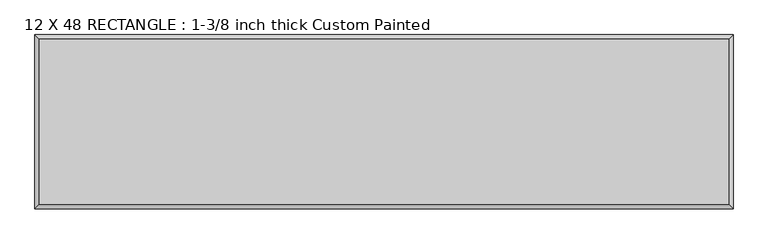
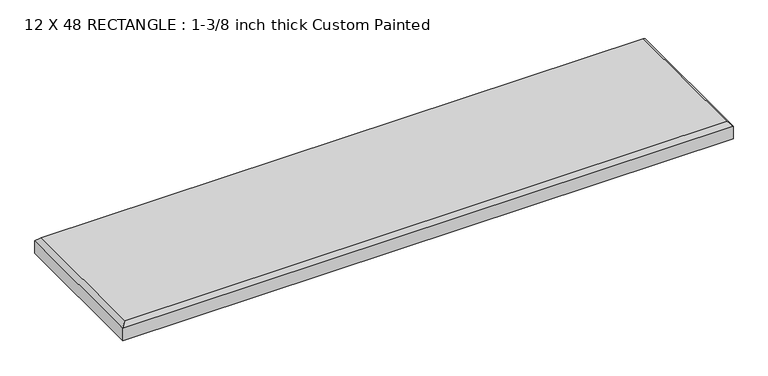
"""IFC4 building model written with IfcOpenShell, lengths in millimetres: proxy geometry, 12 X 48 RECTANGLE : 1-3/8 inch thick Custom Painted."""

import ifcopenshell
import ifcopenshell.guid

model = None  # the IFC model being written
_history = None  # IfcOwnerHistory: only IFC2X3 demands one
_inside = {}  # id of a spatial element -> (the spatial element, [elements in it])
_under = {}  # id of a project, library or spatial element -> (it, [spatial elements below it])
_declared = {}  # id of a project -> (the project, [libraries it declares])
_typed = {}  # id of a type object -> (the type object, [elements of that type])
_made_of = {}  # id of a material, layer set ... -> (it, [elements and type objects made of it])


def new_model(schema):
    """Start an empty IFC model of exactly this schema.

    Asked for "IFC4X3", IfcOpenShell would pick the latest addendum, in which some entities
    have other attributes; the version numbers below select the first issue.
    IFC2X3 requires an IfcOwnerHistory on every rooted entity: one is made here for all.
    """
    global model, _history
    if schema == "IFC4X3":
        model = ifcopenshell.file(schema_version=(4, 3, 0, 0))
    else:
        model = ifcopenshell.file(schema=schema)
    _inside.clear()
    _under.clear()
    _declared.clear()
    _typed.clear()
    _made_of.clear()
    _history = None
    if model.schema == "IFC2X3":
        org = make("IfcOrganization", Name="unknown")
        user = make(
            "IfcPersonAndOrganization",
            ThePerson=make("IfcPerson", FamilyName="unknown"),
            TheOrganization=org,
        )
        app = make(
            "IfcApplication",
            ApplicationDeveloper=org,
            Version="unknown",
            ApplicationFullName="unknown",
            ApplicationIdentifier="unknown",
        )
        _history = make(
            "IfcOwnerHistory",
            OwningUser=user,
            OwningApplication=app,
            ChangeAction="ADDED",
            CreationDate=0,
        )
    return model


def make(cls, **values):
    """One entity of the class cls with the attributes given. An attribute that is None is left unset."""
    return model.create_entity(
        cls, **{name: value for name, value in values.items() if value is not None}
    )


def rooted(cls, **values):
    """An entity with a GlobalId (a new one), such as an element, a storey or a relation."""
    return make(cls, GlobalId=ifcopenshell.guid.new(), OwnerHistory=_history, **values)


def si_unit(unit_type, name, prefix=None):
    """IfcSIUnit, for example si_unit("LENGTHUNIT", "METRE", prefix="MILLI")."""
    return make("IfcSIUnit", UnitType=unit_type, Prefix=prefix, Name=name)


def assignment(units):
    """IfcUnitAssignment: the units of a project."""
    return None if units is None else make("IfcUnitAssignment", Units=units)


def point(xyz):
    """IfcCartesianPoint."""
    return None if xyz is None else make("IfcCartesianPoint", Coordinates=xyz)


def direction(xyz):
    """IfcDirection."""
    return None if xyz is None else make("IfcDirection", DirectionRatios=xyz)


def frame(location, z_axis=None, x_axis=None):
    """IfcAxis2Placement3D, a coordinate frame: its origin and axes. An axis left out is left unset."""
    return make(
        "IfcAxis2Placement3D",
        Location=point(location),
        Axis=direction(z_axis),
        RefDirection=direction(x_axis),
    )


def origin():
    """The frame at (0, 0, 0) with its axes left unset."""
    return frame((0.0, 0.0, 0.0))


def place(relative_to, where):
    """IfcLocalPlacement: puts the frame where relative to a parent placement (None: the world)."""
    return make(
        "IfcLocalPlacement", PlacementRelTo=relative_to, RelativePlacement=where
    )


def context(
    kind, dimensions, precision=None, world=None, true_north=None, identifier=None
):
    """IfcGeometricRepresentationContext, for example the 3D "Model" context."""
    return make(
        "IfcGeometricRepresentationContext",
        ContextIdentifier=identifier,
        ContextType=kind,
        CoordinateSpaceDimension=dimensions,
        Precision=precision,
        WorldCoordinateSystem=world,
        TrueNorth=true_north,
    )


def project(units=None, contexts=None):
    """IfcProject with its units and contexts."""
    return rooted(
        "IfcProject",
        Name="project",
        RepresentationContexts=contexts,
        UnitsInContext=assignment(units),
    )


def spatial(cls, under=None, at=None, **own):
    """A site, building, storey or space (cls), placed at a placement, below another one or the project."""
    s = rooted(cls, ObjectPlacement=at, **own)
    if under is not None:
        _under.setdefault(under.id(), (under, []))[1].append(s)
    return s


def faces_of(points, faces, orient=None, outer=None):
    """IfcFace entities. A face is a list of loops; a loop is a list of indices into points, from 0.

    orient and outer hold one flag for each loop. By default every Orientation is true, the
    first loop of a face is its IfcFaceOuterBound and the others are IfcFaceBound.
    """
    made = []
    for i, loops in enumerate(faces):
        bounds = []
        for j, loop in enumerate(loops):
            is_outer = j == 0 if outer is None else outer[i][j]
            bounds.append(
                make(
                    "IfcFaceOuterBound" if is_outer else "IfcFaceBound",
                    Bound=make("IfcPolyLoop", Polygon=[points[k] for k in loop]),
                    Orientation=True if orient is None else orient[i][j],
                )
            )
        made.append(make("IfcFace", Bounds=bounds))
    return made


def faceted_brep(points, faces, orient=None, outer=None, voids=None):
    """IfcFacetedBrep: a solid bounded by flat faces; with voids (closed shells), ...WithVoids."""
    shared = [point(p) for p in points]
    hull = make("IfcClosedShell", CfsFaces=faces_of(shared, faces, orient, outer))
    if voids is None:
        return make("IfcFacetedBrep", Outer=hull)
    return make(
        "IfcFacetedBrepWithVoids",
        Outer=hull,
        Voids=[
            make(cls, CfsFaces=faces_of(shared, fs, o, b)) for cls, fs, o, b in voids
        ],
    )


def shape(context_of_items, identifier, shape_type, items):
    """IfcShapeRepresentation: the items that make up one representation, for example the "Body"."""
    return make(
        "IfcShapeRepresentation",
        ContextOfItems=context_of_items,
        RepresentationIdentifier=identifier,
        RepresentationType=shape_type,
        Items=items,
    )


def source(mapping_origin, context_of_items, identifier, shape_type, items):
    """IfcRepresentationMap: a shape defined once, which mapped items show again and again."""
    return make(
        "IfcRepresentationMap",
        MappingOrigin=mapping_origin,
        MappedRepresentation=shape(context_of_items, identifier, shape_type, items),
    )


def transform(
    local_origin,
    x_axis=None,
    y_axis=None,
    z_axis=None,
    scale=None,
    scale2=None,
    scale3=None,
    uniform=True,
):
    """IfcCartesianTransformationOperator3D, or its non-uniform kind. x_axis, y_axis, z_axis: its Axis1, 2, 3."""
    if uniform:
        return make(
            "IfcCartesianTransformationOperator3D",
            Axis1=direction(x_axis),
            Axis2=direction(y_axis),
            LocalOrigin=point(local_origin),
            Scale=scale,
            Axis3=direction(z_axis),
        )
    return make(
        "IfcCartesianTransformationOperator3DnonUniform",
        Axis1=direction(x_axis),
        Axis2=direction(y_axis),
        LocalOrigin=point(local_origin),
        Scale=scale,
        Axis3=direction(z_axis),
        Scale2=scale2,
        Scale3=scale3,
    )


def mapped(mapping_source, mapping_target):
    """IfcMappedItem: shows the shape of a source again, moved by a transform."""
    return make(
        "IfcMappedItem", MappingSource=mapping_source, MappingTarget=mapping_target
    )


def made_of(thing, what):
    """Note that an element or type object is made of a material, layer set ...; save() writes the relation."""
    if what is not None:
        _made_of.setdefault(what.id(), (what, []))[1].append(thing)
    return thing


def element(
    cls,
    number,
    at=None,
    inside=None,
    cuts=None,
    type_object=None,
    material=None,
    context=None,
    identifier="Body",
    shape_type=None,
    held_by="IfcProductDefinitionShape",
    body=None,
    shapes=None,
    **own,
):
    """One element of the class cls, such as IfcWall. Its Tag is "e" and its number.

    at: its placement. inside: the storey or other place that contains it. cuts: it is an
    opening in that element (IfcRelVoidsElement). A single representation is given by context,
    identifier, shape_type and body (its items); several are given by shapes. held_by: the class
    of the entity that holds the representations. save() writes the other relations.
    """
    e = rooted(cls, Tag="e%d" % number, ObjectPlacement=at, **own)
    if body is not None:
        shapes = [shape(context, identifier, shape_type, body)]
    if shapes is not None:
        e.Representation = make(held_by, Representations=shapes)
    if inside is not None:
        _inside.setdefault(inside.id(), (inside, []))[1].append(e)
    if cuts is not None:
        rooted(
            "IfcRelVoidsElement", RelatingBuildingElement=cuts, RelatedOpeningElement=e
        )
    if type_object is not None:
        _typed.setdefault(type_object.id(), (type_object, []))[1].append(e)
    return made_of(e, material)


def aggregate(whole, parts):
    """IfcRelAggregates: a whole, such as a stair, and the parts it consists of."""
    return rooted("IfcRelAggregates", RelatingObject=whole, RelatedObjects=parts)


def save(model, path):
    """Write the relations noted so far, then the file.

    IfcRelAggregates (storeys below a building ...), IfcRelContainedInSpatialStructure (elements
    in a storey), IfcRelDefinesByType, IfcRelAssociatesMaterial and IfcRelDeclares: one each for
    every whole, place, type object, material and project.
    """
    for whole, parts in _under.values():
        aggregate(whole, parts)
    for where, things in _inside.values():
        rooted(
            "IfcRelContainedInSpatialStructure",
            RelatedElements=things,
            RelatingStructure=where,
        )
    for kind, things in _typed.values():
        rooted("IfcRelDefinesByType", RelatedObjects=things, RelatingType=kind)
    for what, things in _made_of.values():
        rooted("IfcRelAssociatesMaterial", RelatedObjects=things, RelatingMaterial=what)
    for by, libraries in _declared.values():
        rooted("IfcRelDeclares", RelatingContext=by, RelatedDefinitions=libraries)
    model.write(path)


def proxy_12_x_48_rectangle_1_3_8_inch_thick_custom_painted_1d45b97d(model_context):
    return source(origin(), model_context, "Body", "Brep", [
        faceted_brep([(601.599, 144.399, 34.925), (-601.599, 144.399, 34.925), (-601.599, -144.399, 34.925), (601.599, -144.399, 34.925), (-609.6, 152.4, 0.0), (609.6, 152.4, 0.0), (609.6, -152.4, 0.0), (-609.6, -152.4, 0.0), (-609.6, -152.4, 26.924), (-609.6, 152.4, 26.924), (609.6, -152.4, 26.924), (609.6, 152.4, 26.924)], [[[0, 1, 2, 3]], [[4, 5, 6, 7]], [[4, 7, 8, 9]], [[7, 6, 10, 8]], [[6, 5, 11, 10]], [[5, 4, 9, 11]], [[9, 1, 0, 11]], [[1, 9, 8, 2]], [[2, 8, 10, 3]], [[11, 0, 3, 10]]]),
    ])


if __name__ == "__main__":
    model = new_model("IFC4")
    model_context = context("Model", 3, world=origin())
    ifc_project = project(units=[si_unit("LENGTHUNIT", "METRE", prefix="MILLI")], contexts=[model_context])
    site = spatial("IfcSite", under=ifc_project)
    building = spatial("IfcBuilding", under=site)
    placement = place(None, origin())
    proxy_12_x_48_rectangle_1_3_8_inch_thick_custom_painted_shape = proxy_12_x_48_rectangle_1_3_8_inch_thick_custom_painted_1d45b97d(model_context)
    element("IfcBuildingElementProxy", 1, Name="12 X 48 RECTANGLE : 1-3/8 inch thick Custom Painted", ObjectType="12 X 48 RECTANGLE : 1-3/8 inch thick Custom Painted", at=placement, inside=building, context=model_context, shape_type="MappedRepresentation", body=[
        mapped(proxy_12_x_48_rectangle_1_3_8_inch_thick_custom_painted_shape, transform((0.0, 0.0, 0.0), x_axis=(1.0, 0.0, 0.0), y_axis=(0.0, 1.0, 0.0), z_axis=(0.0, 0.0, 1.0))),
    ])
    save(model, "model.ifc")
